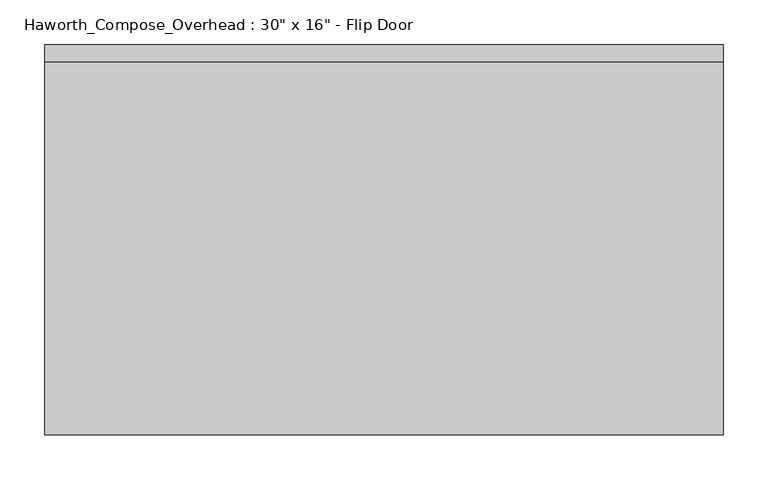
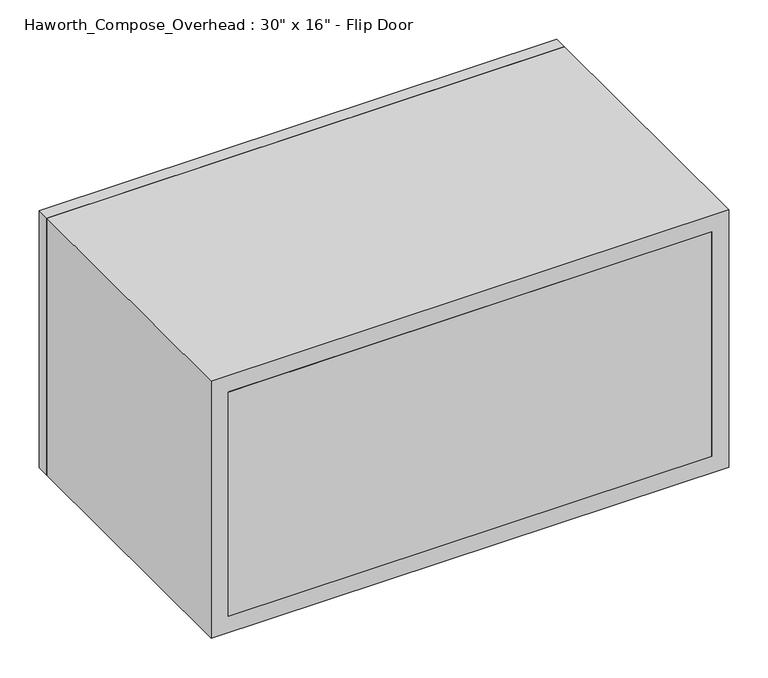
"""IFC4 building model written with IfcOpenShell, lengths in millimetres: furniture geometry."""

from ifc_helpers import new_model, si_unit, frame, origin, place, context, project, spatial, polyline, outline, extrude, source, transform, mapped, element, save


def furniture_2111afaf(model_context):
    return source(origin(), model_context, "Body", "SweptSolid", [
        extrude(outline(polyline([(546.1, 438.15), (546.1, 419.1), (-215.9, 419.1), (-215.9, 438.15), (546.1, 438.15)])), frame((0.0, 0.0, 1270.0), z_axis=(0.0, 0.0, 1.0), x_axis=(1.0, 0.0, 0.0)), (0.0, 0.0, 1.0), 400.05),
        extrude(outline(polyline([(520.7, 6.35), (520.7, 0.0), (-190.5, 0.0), (-190.5, 6.35), (520.7, 6.35)])), frame((0.0, 0.0, 1295.4), z_axis=(0.0, 0.0, 1.0), x_axis=(1.0, 0.0, 0.0)), (0.0, 0.0, 1.0), 349.25),
        extrude(outline(polyline([(1270.0, 546.1), (1670.05, 546.1), (1670.05, -215.9), (1270.0, -215.9), (1270.0, 546.1)]), holes=[polyline([(1644.65, 520.7), (1295.4, 520.7), (1295.4, -190.5), (1644.65, -190.5), (1644.65, 520.7)])]), frame((0.0, 0.0, 0.0), z_axis=(0.0, 1.0, 0.0), x_axis=(0.0, 0.0, 1.0)), (0.0, 0.0, 1.0), 419.1),
    ])


if __name__ == "__main__":
    model = new_model("IFC4")
    model_context = context("Model", 3, world=origin())
    ifc_project = project(units=[si_unit("LENGTHUNIT", "METRE", prefix="MILLI")], contexts=[model_context])
    site = spatial("IfcSite", under=ifc_project)
    building = spatial("IfcBuilding", under=site)
    placement = place(None, origin())
    furniture_shape = furniture_2111afaf(model_context)
    element("IfcFurniture", 1, ObjectType="Haworth_Compose_Overhead : 30\" x 16\" - Flip Door", at=placement, inside=building, context=model_context, shape_type="MappedRepresentation", body=[
        mapped(furniture_shape, transform((0.0, 0.0, 0.0), x_axis=(1.0, 0.0, 0.0), y_axis=(0.0, 1.0, 0.0), z_axis=(0.0, 0.0, 1.0))),
    ])
    save(model, "model.ifc")
